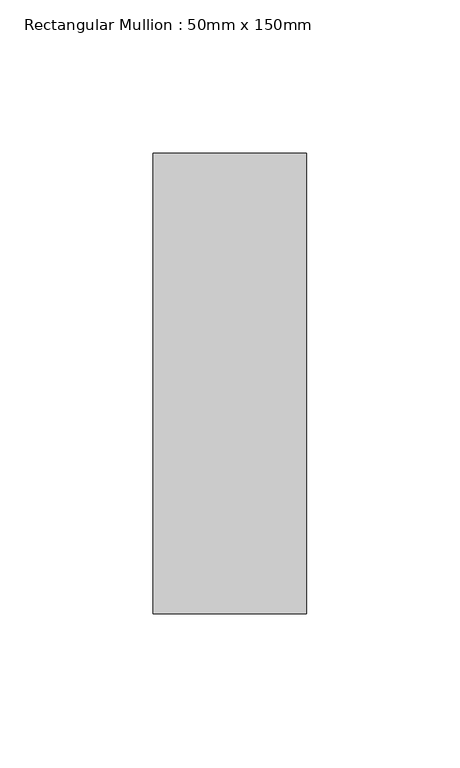
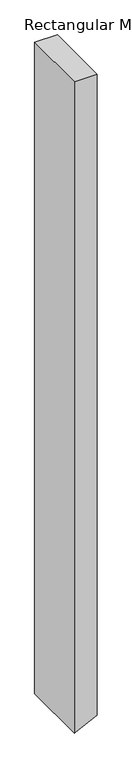
"""IFC4 building model written with IfcOpenShell, lengths in millimetres: member geometry, Rectangular Mullion : 50mm x 150mm."""

from ifc_helpers import new_model, si_unit, frame, origin, place, context, project, spatial, polyline, outline, extrude, source, transform, mapped, element, save


def rectangular_mullion_50mm_x_150mm_48c309c3(model_context):
    return source(origin(), model_context, "Body", "SweptSolid", [
        extrude(outline(polyline([(0.0, 25.0), (0.0, -25.0), (-1503.4647399, -25.0), (-1501.6282433, -21.0411824), (-1480.2697257, 25.0), (0.0, 25.0)])), frame((0.0, -75.0, 0.0), z_axis=(0.0, 1.0, 0.0), x_axis=(0.0, 0.0, 1.0)), (0.0, 0.0, 1.0), 150.0),
    ])


if __name__ == "__main__":
    model = new_model("IFC4")
    model_context = context("Model", 3, world=origin())
    ifc_project = project(units=[si_unit("LENGTHUNIT", "METRE", prefix="MILLI")], contexts=[model_context])
    site = spatial("IfcSite", under=ifc_project)
    building = spatial("IfcBuilding", under=site)
    placement = place(None, origin())
    rectangular_mullion_50mm_x_150mm_shape = rectangular_mullion_50mm_x_150mm_48c309c3(model_context)
    element("IfcMember", 1, ObjectType="Rectangular Mullion : 50mm x 150mm", at=placement, inside=building, context=model_context, shape_type="MappedRepresentation", body=[
        mapped(rectangular_mullion_50mm_x_150mm_shape, transform((0.0, 0.0, 0.0), x_axis=(1.0, 0.0, 0.0), y_axis=(0.0, 1.0, 0.0), z_axis=(0.0, 0.0, 1.0))),
    ])
    save(model, "model.ifc")
